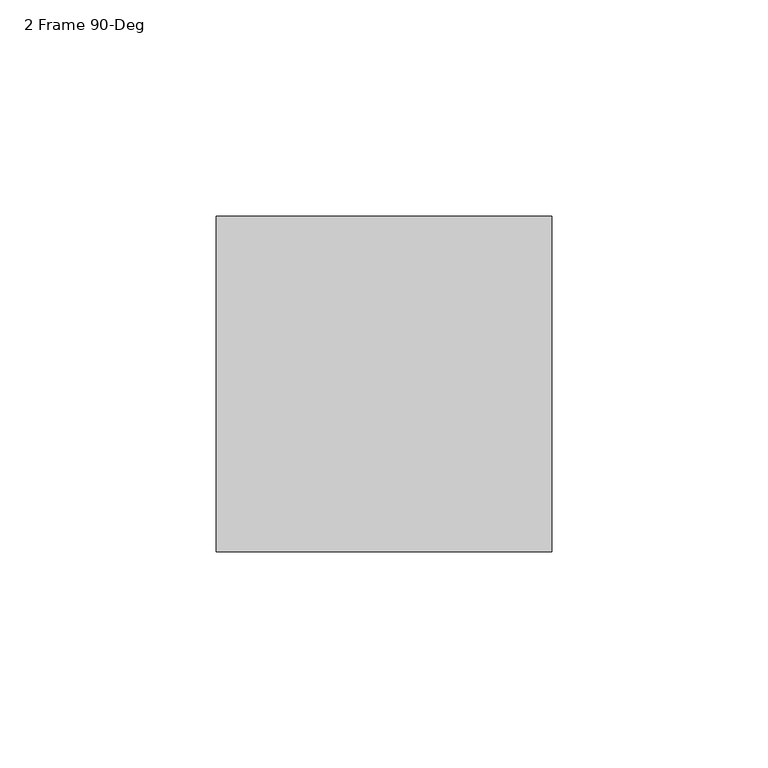
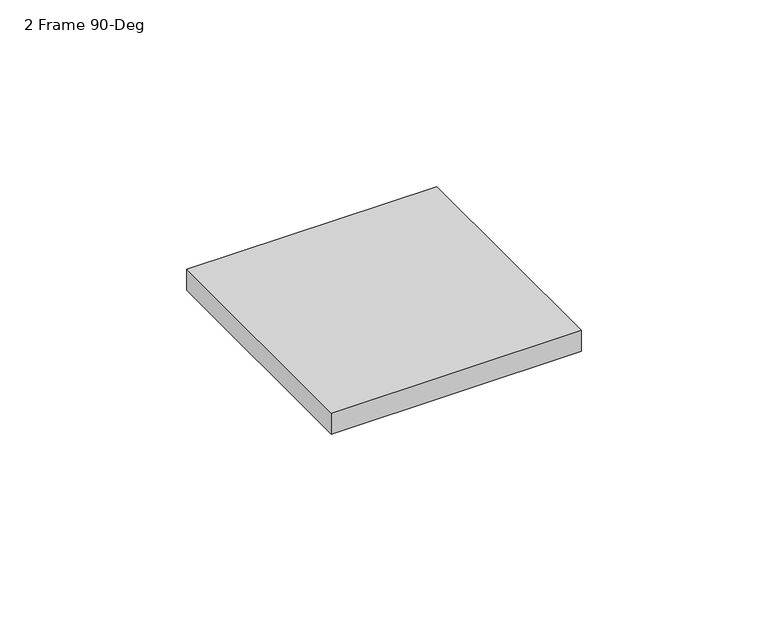
"""IFC4 building model written with IfcOpenShell, lengths in millimetres: furniture geometry, 2 Frame 90-Deg."""

from ifc_helpers import new_model, si_unit, frame, origin, place, context, project, spatial, polyline, outline, extrude, source, transform, mapped, element, save


def furniture_2_frame_90_deg_51c10dba(model_context):
    return source(origin(), model_context, "Body", "SweptSolid", [
        extrude(outline(polyline([(-283.31795, 38.7477), (-283.31795, -38.7223), (-360.78795, -38.7223), (-360.78795, 38.7477), (-283.31795, 38.7477)])), frame((0.0, 0.0, 1150.366), z_axis=(0.0, 0.0, 1.0), x_axis=(1.0, 0.0, 0.0)), (0.0, 0.0, 1.0), 6.858),
    ])


if __name__ == "__main__":
    model = new_model("IFC4")
    model_context = context("Model", 3, world=origin())
    ifc_project = project(units=[si_unit("LENGTHUNIT", "METRE", prefix="MILLI")], contexts=[model_context])
    site = spatial("IfcSite", under=ifc_project)
    building = spatial("IfcBuilding", under=site)
    placement = place(None, origin())
    furniture_2_frame_90_deg_shape = furniture_2_frame_90_deg_51c10dba(model_context)
    element("IfcFurniture", 1, ObjectType="2 Frame 90-Deg", at=placement, inside=building, context=model_context, shape_type="MappedRepresentation", body=[
        mapped(furniture_2_frame_90_deg_shape, transform((0.0, 0.0, 0.0), x_axis=(1.0, 0.0, 0.0), y_axis=(0.0, 1.0, 0.0), z_axis=(0.0, 0.0, 1.0))),
    ])
    save(model, "model.ifc")
